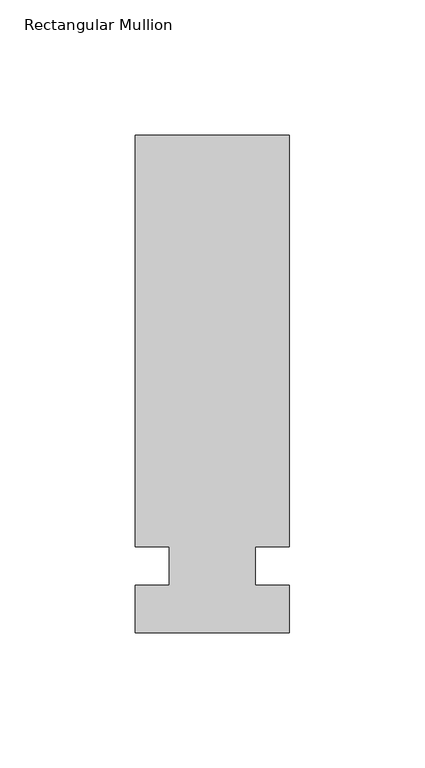
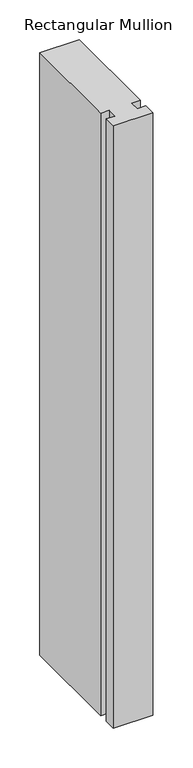
"""IFC4 building model written with IfcOpenShell, lengths in millimetres: member geometry, Rectangular Mullion."""

from ifc_helpers import new_model, si_unit, frame, origin, place, context, project, spatial, polyline, outline, extrude, source, transform, mapped, element, save


def rectangular_mullion_77d88de5(model_context):
    return source(origin(), model_context, "Body", "SweptSolid", [
        extrude(outline(polyline([(32.9094027, 159.54375), (32.9094027, 7.14375), (20.2076322, 7.14375), (20.2076322, -7.14375), (32.9094027, -7.14375), (32.9094027, -24.60625), (-24.2405973, -24.60625), (-24.2405973, -7.14375), (-11.5405973, -7.14375), (-11.5405973, 7.14375), (-24.2405973, 7.14375), (-24.2405973, 159.54375), (32.9094027, 159.54375)])), frame((0.0, 0.0, -921.9094027), z_axis=(0.0, 0.0, 1.0), x_axis=(1.0, 0.0, 0.0)), (0.0, 0.0, 1.0), 921.9094027),
    ])


if __name__ == "__main__":
    model = new_model("IFC4")
    model_context = context("Model", 3, world=origin())
    ifc_project = project(units=[si_unit("LENGTHUNIT", "METRE", prefix="MILLI")], contexts=[model_context])
    site = spatial("IfcSite", under=ifc_project)
    building = spatial("IfcBuilding", under=site)
    placement = place(None, origin())
    rectangular_mullion_shape = rectangular_mullion_77d88de5(model_context)
    element("IfcMember", 1, ObjectType="Rectangular Mullion", at=placement, inside=building, context=model_context, shape_type="MappedRepresentation", body=[
        mapped(rectangular_mullion_shape, transform((0.0, 0.0, 0.0), x_axis=(1.0, 0.0, 0.0), y_axis=(0.0, 1.0, 0.0), z_axis=(0.0, 0.0, 1.0))),
    ])
    save(model, "model.ifc")
